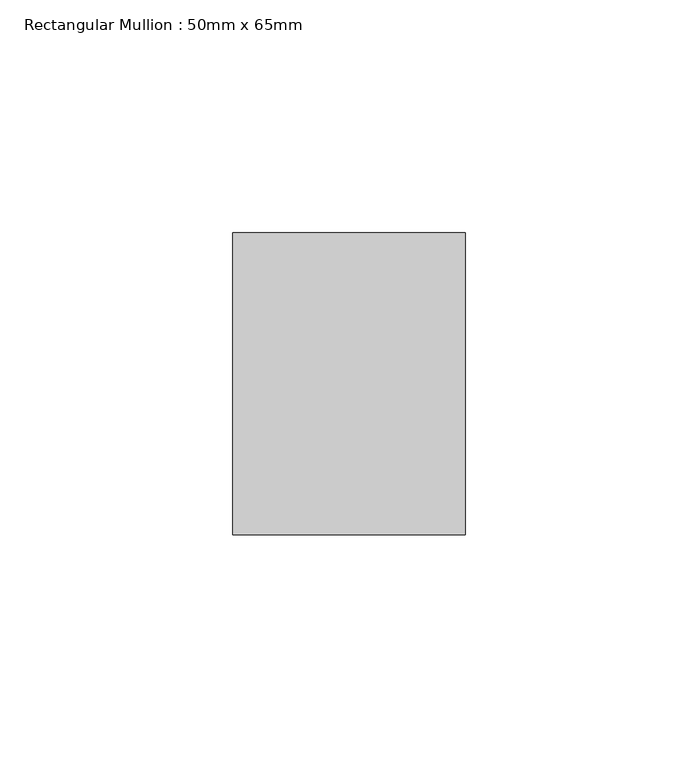
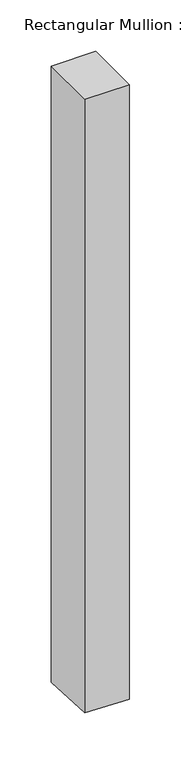
"""IFC4 building model written with IfcOpenShell, lengths in millimetres: member geometry, Rectangular Mullion : 50mm x 65mm."""

from ifc_helpers import new_model, si_unit, origin, place, context, project, spatial, faceted_brep, source, transform, mapped, element, save


def rectangular_mullion_50mm_x_65mm_48b8ca94(model_context):
    return source(origin(), model_context, "Body", "Brep", [
        faceted_brep([(25.0, 32.5, 0.0), (-25.0, 32.5, 0.0), (-25.0, -32.5, 0.0), (25.0, -32.5, 0.0), (25.0, 32.5, -732.9674885), (-25.0, 32.5, -731.8110361), (-25.0, -32.5, -728.5778189), (25.0, -32.5, -729.7342713)], [[[0, 1, 2, 3]], [[1, 0, 4, 5]], [[2, 1, 5, 6]], [[3, 2, 6, 7]], [[0, 3, 7, 4]], [[4, 7, 6, 5]]]),
    ])


if __name__ == "__main__":
    model = new_model("IFC4")
    model_context = context("Model", 3, world=origin())
    ifc_project = project(units=[si_unit("LENGTHUNIT", "METRE", prefix="MILLI")], contexts=[model_context])
    site = spatial("IfcSite", under=ifc_project)
    building = spatial("IfcBuilding", under=site)
    placement = place(None, origin())
    rectangular_mullion_50mm_x_65mm_shape = rectangular_mullion_50mm_x_65mm_48b8ca94(model_context)
    element("IfcMember", 1, ObjectType="Rectangular Mullion : 50mm x 65mm", at=placement, inside=building, context=model_context, shape_type="MappedRepresentation", body=[
        mapped(rectangular_mullion_50mm_x_65mm_shape, transform((0.0, 0.0, 0.0), x_axis=(1.0, 0.0, 0.0), y_axis=(0.0, 1.0, 0.0), z_axis=(0.0, 0.0, 1.0))),
    ])
    save(model, "model.ifc")
